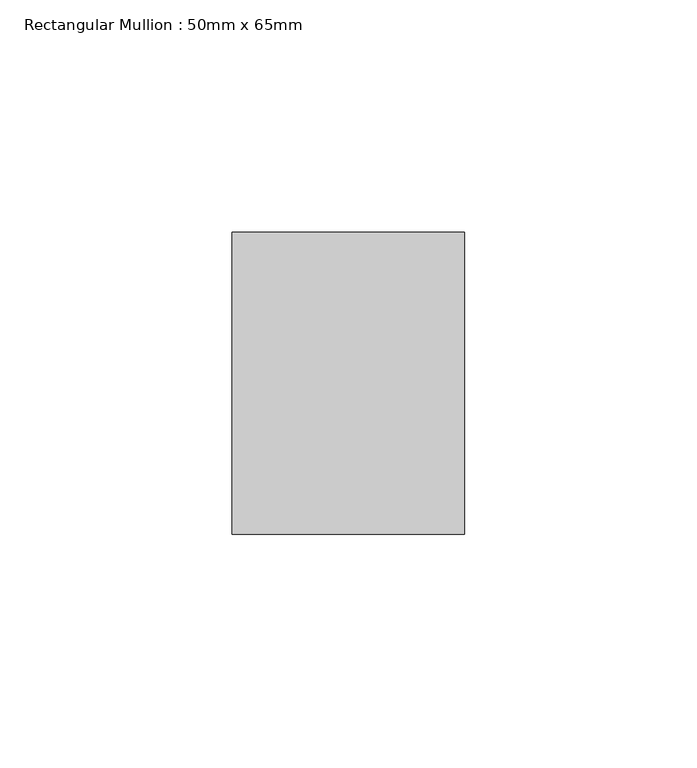
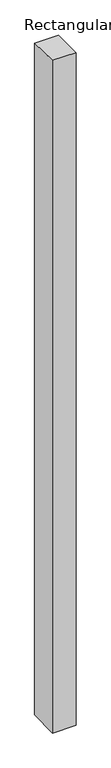
"""IFC4 building model written with IfcOpenShell, lengths in millimetres: member geometry, Rectangular Mullion : 50mm x 65mm."""

from ifc_helpers import new_model, si_unit, origin, place, context, project, spatial, faceted_brep, source, transform, mapped, element, save


def rectangular_mullion_50mm_x_65mm_efe31e5e(model_context):
    return source(origin(), model_context, "Body", "Brep", [
        faceted_brep([(-25.0, 32.5, -0.4518134), (25.0, 32.5, -0.4518158), (25.0, 32.5, -1499.4316889), (-25.0, 32.5, -1499.431692), (-25.0, -32.5, 0.4518158), (-25.0, -32.5, -1500.5683313), (25.0, -32.5, 0.4518134), (25.0, -32.5, -1500.5683282)], [[[0, 1, 2, 3]], [[4, 0, 3, 5]], [[6, 4, 5, 7]], [[1, 6, 7, 2]], [[1, 0, 4, 6]], [[2, 7, 5, 3]]]),
    ])


if __name__ == "__main__":
    model = new_model("IFC4")
    model_context = context("Model", 3, world=origin())
    ifc_project = project(units=[si_unit("LENGTHUNIT", "METRE", prefix="MILLI")], contexts=[model_context])
    site = spatial("IfcSite", under=ifc_project)
    building = spatial("IfcBuilding", under=site)
    placement = place(None, origin())
    rectangular_mullion_50mm_x_65mm_shape = rectangular_mullion_50mm_x_65mm_efe31e5e(model_context)
    element("IfcMember", 1, ObjectType="Rectangular Mullion : 50mm x 65mm", at=placement, inside=building, context=model_context, shape_type="MappedRepresentation", body=[
        mapped(rectangular_mullion_50mm_x_65mm_shape, transform((0.0, 0.0, 0.0), x_axis=(1.0, 0.0, 0.0), y_axis=(0.0, 1.0, 0.0), z_axis=(0.0, 0.0, 1.0))),
    ])
    save(model, "model.ifc")
